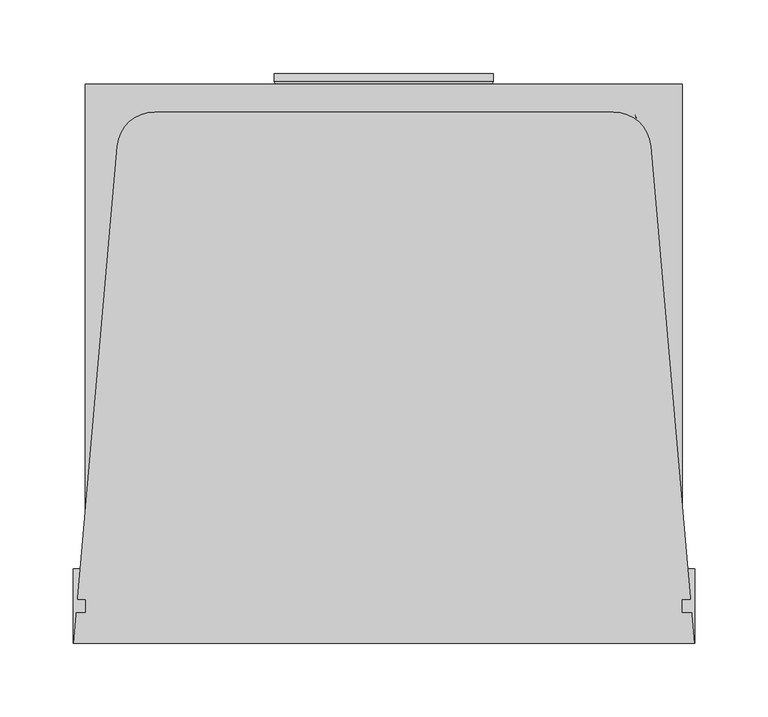
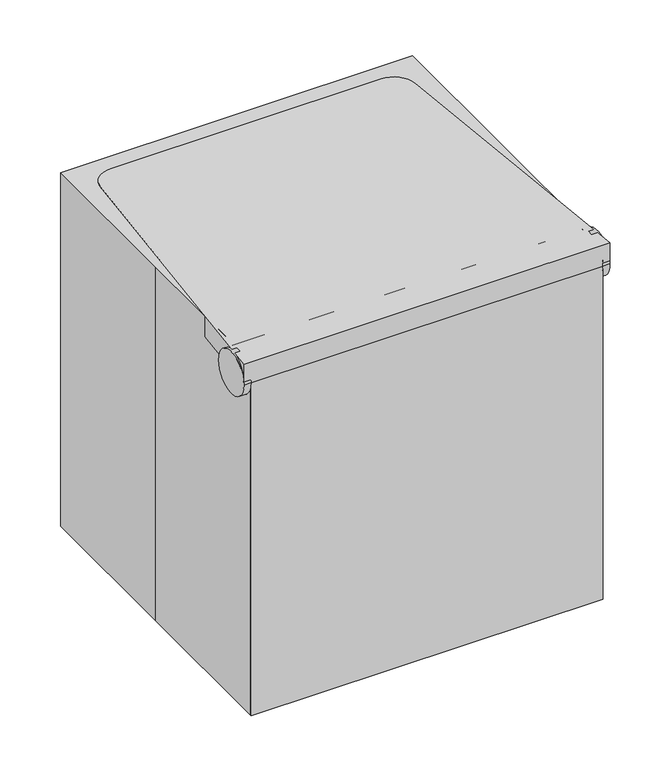
"""IFC4 building model written with IfcOpenShell, lengths in millimetres: proxy geometry."""

from ifc_helpers import new_model, si_unit, point, frame, frame_2d, origin, place, context, project, spatial, polyline, circle_curve, ellipse_curve, trimmed, segment, composite_curve, outline, extrude, source, transform, mapped, element, save
from ifc_brep_helpers import plane_surface, cylinder_surface, revolved_surface, spline_surface, advanced_brep


def specialty_equipment_6457ef96(model_context):
    return source(origin(), model_context, "Body", "SolidModel", [
        extrude(outline(composite_curve([segment(trimmed(circle_curve(frame_2d((-165.1, 406.4)), 25.4), [point((-190.5, 406.4))], [point((-139.7, 406.4))], False, "CARTESIAN"), True, "CONTINUOUS"), segment(trimmed(circle_curve(frame_2d((-165.1, 406.4)), 25.4), [point((-139.7, 406.4))], [point((-190.5, 406.4))], False, "CARTESIAN"), True, "CONTINUOUS")], self_intersect=False)), frame((203.2, 0.0, 0.0), z_axis=(1.0, 0.0, 0.0), x_axis=(0.0, 1.0, 0.0)), (0.0, 0.0, 1.0), 8.2243705),
        extrude(outline(composite_curve([segment(trimmed(circle_curve(frame_2d((-165.1, 406.4)), 25.4), [point((-139.7, 406.4))], [point((-190.5, 406.4))], False, "CARTESIAN"), True, "CONTINUOUS"), segment(trimmed(circle_curve(frame_2d((-165.1, 406.4)), 25.4), [point((-190.5, 406.4))], [point((-139.7, 406.4))], False, "CARTESIAN"), True, "CONTINUOUS")], self_intersect=False)), frame((-211.3962544, 0.0, 0.0), z_axis=(1.0, 0.0, 0.0), x_axis=(0.0, 1.0, 0.0)), (0.0, 0.0, 1.0), 8.1962544),
        advanced_brep(
        [(-181.4886497, 148.2637559, 431.8), (-211.1266379, -190.5, 431.8), (211.1266379, -190.5, 431.8), (181.4886497, 148.2637559, 431.8), (156.1853044, 171.45, 431.8), (-156.1853044, 171.45, 431.8), (-181.4886497, 148.2637559, 406.4), (-156.1853044, 171.45, 406.4), (156.1853044, 171.45, 406.4), (181.4886497, 148.2637559, 406.4), (211.1266379, -190.5, 406.4), (203.2, -190.5, 406.4), (203.2, -139.7, 406.4), (-203.2, -139.7, 406.4), (-203.2, -190.5, 406.4), (-211.1266379, -190.5, 406.4), (203.2, -165.1, 431.8), (-203.2, -165.1, 431.8)],
        [
            (0, 1),
            (1, 2),
            (2, 3),
            (3, 4, circle_curve(frame((156.1853044, 146.05, 431.8), z_axis=(0.0, 0.0, 1.0), x_axis=(1.0, 0.0, 0.0)), 25.4)),
            (4, 5),
            (5, 0, circle_curve(frame((-156.1853044, 146.05, 431.8), z_axis=(0.0, 0.0, 1.0), x_axis=(1.0, 0.0, 0.0)), 25.4)),
            (6, 7, circle_curve(frame((-156.1853044, 146.05, 406.4), z_axis=(0.0, 0.0, -1.0), x_axis=(1.0, 0.0, 0.0)), 25.4)),
            (7, 8),
            (8, 9, circle_curve(frame((156.1853044, 146.05, 406.4), z_axis=(0.0, 0.0, -1.0), x_axis=(1.0, 0.0, 0.0)), 25.4)),
            (9, 10),
            (10, 11),
            (11, 12),
            (12, 13),
            (13, 14),
            (14, 15),
            (15, 6),
            (5, 7),
            (6, 0),
            (4, 8),
            (3, 9),
            (2, 10),
            (1, 15),
            (14, 11),
            (11, 16, circle_curve(frame((203.2, -165.1, 406.4), z_axis=(-1.0, 0.0, 0.0), x_axis=(0.0, -1.0, 0.0)), 25.4)),
            (16, 12, circle_curve(frame((203.2, -165.1, 406.4), z_axis=(-1.0, 0.0, 0.0), x_axis=(0.0, -1.0, 0.0)), 25.4)),
            (13, 17, circle_curve(frame((-203.2, -165.1, 406.4), z_axis=(1.0, 0.0, 0.0), x_axis=(0.0, -1.0, 0.0)), 25.4)),
            (17, 14, circle_curve(frame((-203.2, -165.1, 406.4), z_axis=(1.0, 0.0, 0.0), x_axis=(0.0, -1.0, 0.0)), 25.4)),
        ],
        [
            plane_surface(frame((-130.7853044, 146.05, 431.8), z_axis=(0.0, 0.0, 1.0), x_axis=(0.0, -1.0, 0.0))),
            plane_surface(frame((-130.7853044, 146.05, 406.4), z_axis=(0.0, 0.0, -1.0), x_axis=(0.0, 1.0, 0.0))),
            cylinder_surface(frame((-156.1853044, 146.05, 406.4), z_axis=(0.0, 0.0, 1.0), x_axis=(1.0, 0.0, 0.0)), 25.4),
            plane_surface(frame((-156.1853044, 171.45, 431.8), z_axis=(0.0, 1.0, 0.0), x_axis=(0.0, 0.0, -1.0))),
            cylinder_surface(frame((156.1853044, 146.05, 406.4), z_axis=(0.0, 0.0, 1.0), x_axis=(1.0, 0.0, 0.0)), 25.4),
            plane_surface(frame((181.4886497, 148.2637559, 431.8), z_axis=(0.9961946980917455, 0.08715574274765969, 0.0), x_axis=(0.0, 0.0, -1.0))),
            plane_surface(frame((211.1266379, -190.5, 431.8), z_axis=(0.0, -1.0, 0.0), x_axis=(0.0, 0.0, -1.0))),
            plane_surface(frame((-211.1266379, -190.5, 431.8), z_axis=(-0.9961946980917458, 0.08715574274765654, 0.0), x_axis=(0.0, 0.0, -1.0))),
            plane_surface(frame((203.2, -190.5, 406.4), z_axis=(-1.0, 0.0, 0.0), x_axis=(0.0, 0.0, 1.0))),
            plane_surface(frame((-203.2, -190.5, 406.4), z_axis=(1.0, 0.0, 0.0), x_axis=(0.0, 0.0, -1.0))),
            revolved_surface(polyline([(203.2, -190.5, 406.4), (-203.2, -190.5, 406.4)]), (-203.2, -165.1, 406.4), (1.0, 0.0, 0.0)),
        ],
        [
            (0, [[1, 2, 3, 4, 5, 6]]),
            (1, [[7, 8, 9, 10, 11, 12, 13, 14, 15, 16]]),
            (2, [[17, -7, 18, -6]]),
            (3, [[19, -8, -17, -5]]),
            (4, [[20, -9, -19, -4]]),
            (5, [[21, -10, -20, -3]]),
            (6, [[22, -15, 23, -11, -21, -2]]),
            (7, [[-18, -16, -22, -1]]),
            (8, [[-12, 24, 25]]),
            (9, [[-14, 26, 27]]),
            (10, [[-24, -23, -27, -26, -13, -25]]),
        ],
    ),
        advanced_brep(
        [(-171.8953527, 167.3137559, 406.4), (-198.7555759, -139.7, 406.4), (198.7555759, -139.7, 406.4), (171.8953527, 167.3137559, 406.4), (203.2, -190.5, 0.0), (-203.2, -190.5, 0.0), (-171.8953527, 167.3137559, 0.0), (-146.5920074, 190.5, 0.0), (-69.85, 190.5, 0.0), (-57.15, 167.3137559, 0.0), (57.15, 167.3137559, 0.0), (69.85, 190.5, 0.0), (146.5920074, 190.5, 0.0), (171.8953527, 167.3137559, 0.0), (203.2, -190.5, 406.4), (-203.2, -190.5, 406.4), (66.9435562, 185.1937389, 93.0062024), (-66.9435562, 185.1937389, 93.0062024), (57.15, 167.3137559, 50.8), (-57.15, 167.3137559, 50.8)],
        [
            (0, 1),
            (1, 2),
            (2, 3),
            (3, 0),
            (4, 5),
            (5, 6),
            (6, 7, circle_curve(frame((-146.5920074, 165.1, 0.0), z_axis=(0.0, 0.0, -1.0), x_axis=(1.0, 0.0, 0.0)), 25.4)),
            (7, 8),
            (8, 9),
            (9, 10),
            (10, 11),
            (11, 12),
            (12, 13, circle_curve(frame((146.5920074, 165.1, 0.0), z_axis=(0.0, 0.0, -1.0), x_axis=(1.0, 0.0, 0.0)), 25.4)),
            (13, 4),
            (4, 14),
            (14, 15),
            (15, 5),
            (15, 1, ellipse_curve(frame((-200.9777879, -165.1, 406.4), z_axis=(0.9961946980917457, -0.08715574274765671, 0.0), x_axis=(0.08715574274765668, 0.9961946980917457, 0.0)), 25.4970239, 25.4)),
            (0, 6),
            (0, 7),
            (3, 12),
            (11, 16),
            (16, 17),
            (17, 8),
            (3, 13),
            (2, 14, ellipse_curve(frame((200.9777879, -165.1, 406.4), z_axis=(-0.9961946980917454, -0.08715574274765969, 0.0), x_axis=(0.0871557427476588, -0.9961946980917455, 0.0)), 25.4970239, 25.4)),
            (18, 10),
            (9, 19),
            (19, 18),
            (19, 17),
            (16, 18),
        ],
        [
            plane_surface(frame((0.0, -11.5931221, 406.4), z_axis=(0.0, 0.0, 1.0), x_axis=(0.08715574274765671, 0.9961946980917457, 0.0))),
            plane_surface(frame((0.0, 55.771252, 0.0), z_axis=(0.0, 0.0, -1.0), x_axis=(0.08715574274765671, 0.9961946980917457, 0.0))),
            plane_surface(frame((0.0, -190.5, 0.0), z_axis=(0.0, -1.0, 0.0), x_axis=(-1.0, 0.0, 0.0))),
            plane_surface(frame((-187.5476764, -11.5931221, 0.0), z_axis=(-0.9961946980917457, 0.08715574274765671, 0.0), x_axis=(0.08715574274765671, 0.9961946980917457, 0.0))),
            spline_surface(1, 2, [[(-171.8953527, 167.3137559, 0.0), (-169.86681913406716, 190.49999996929208, 0.0), (-146.5920074, 190.5, 0.0)], [(-171.8953527, 167.3137559, 406.4), (-171.8953527, 167.3137559, 406.4), (-171.8953527, 167.3137559, 406.4)]], [2, 2], [3, 3], [0.0, 1.0], [0.0, 1.0], weights=[[1.0, 0.7372773377124887, 1.0], [1.0, 0.7372773377124887, 1.0]]),
            plane_surface(frame((0.0, 190.5, 0.0), z_axis=(0.0, 0.9983764533733115, 0.05696013825236224), x_axis=(1.0, 0.0, 0.0))),
            spline_surface(1, 2, [[(146.5920074, 190.5, 0.0), (169.86681918616762, 190.5000000261497, 0.0), (171.8953527, 167.3137559, 0.0)], [(171.8953527, 167.3137559, 406.4), (171.8953527, 167.3137559, 406.4), (171.8953527, 167.3137559, 406.4)]], [2, 2], [3, 3], [0.0, 1.0], [0.0, 1.0], weights=[[1.0, 0.7372773368872948, 1.0], [1.0, 0.7372773368872948, 1.0]]),
            plane_surface(frame((187.5476764, -11.5931221, 0.0), z_axis=(0.9961946980917454, 0.08715574274765969, 0.0), x_axis=(0.08715574274765969, -0.9961946980917454, 0.0))),
            plane_surface(frame((0.0, 167.3137559, 25.4), z_axis=(0.0, 1.0, 0.0), x_axis=(-1.0, 0.0, 0.0))),
            plane_surface(frame((0.0, 190.5, 105.5317808), z_axis=(0.0, 0.920783074067558, -0.39007503189860543), x_axis=(1.0, 0.0, 0.0))),
            plane_surface(frame((-69.85, 190.5, 52.7658904), z_axis=(0.8770521055181142, 0.48039525830949104, 0.0), x_axis=(0.0, 0.0, 1.0))),
            plane_surface(frame((69.85, 190.5, 52.7658904), z_axis=(-0.8770521055181134, 0.48039525830949253, 0.0), x_axis=(0.0, 0.0, -1.0))),
            revolved_surface(polyline([(203.2, -190.5, 406.4), (-203.2, -190.5, 406.4)]), (-203.2, -165.1, 406.4), (1.0, 0.0, 0.0)),
        ],
        [
            (0, [[1, 2, 3, 4]]),
            (1, [[5, 6, 7, 8, 9, 10, 11, 12, 13, 14]]),
            (2, [[15, 16, 17, -5]]),
            (3, [[-17, 18, -1, 19, -6]]),
            (4, [[-19, 20, -7]]),
            (5, [[21, -12, 22, 23, 24, -8, -20, -4]]),
            (6, [[-21, 25, -13]]),
            (7, [[-25, -3, 26, -15, -14]]),
            (8, [[27, -10, 28, 29]]),
            (9, [[30, -23, 31, -29]]),
            (10, [[-9, -24, -30, -28]]),
            (11, [[-31, -22, -11, -27]]),
            (12, [[-18, -16, -26, -2]]),
        ],
    ),
        extrude(outline(polyline([(4.6906993, 0.0), (-144.3906993, 0.0), (-127.0, 31.75), (-12.7, 31.75), (4.6906993, 0.0)])), frame((-69.85, 197.7247404, 9.1232954), z_axis=(0.0, -0.2873478855663447, 0.9578262852211517), x_axis=(-1.0, 0.0, 0.0)), (0.0, 0.0, 1.0), 19.05),
        advanced_brep(
        [(-203.2, 0.0, 431.8), (-203.2, -165.1, 431.8), (-203.2, -190.5, 431.8), (203.2, -190.5, 431.8), (203.2, -165.1, 431.8), (203.2, 190.5, 431.8), (-203.2, 190.5, 431.8), (-203.2, -190.5, 0.0), (-203.2, 0.0, 0.0), (-203.2, 190.5, 0.0), (-69.85, 190.5, 0.0), (-57.15, 167.3137559, 0.0), (57.15, 167.3137559, 0.0), (69.85, 190.5, 0.0), (203.2, 190.5, 0.0), (203.2, -190.5, 0.0), (-203.2, -190.5, 406.4), (-203.2, -139.7, 406.4), (69.85, 190.5, 105.5317808), (-69.85, 190.5, 105.5317808), (203.2, -139.7, 406.4), (203.2, -190.5, 406.4), (57.15, 167.3137559, 50.8), (-57.15, 167.3137559, 50.8)],
        [
            (0, 1),
            (1, 2),
            (2, 3),
            (3, 4),
            (4, 5),
            (5, 6),
            (6, 0),
            (7, 8),
            (8, 9),
            (9, 10),
            (10, 11),
            (11, 12),
            (12, 13),
            (13, 14),
            (14, 15),
            (15, 7),
            (7, 16),
            (16, 17, circle_curve(frame((-203.2, -165.1, 406.4), z_axis=(1.0, 0.0, 0.0), x_axis=(0.0, -1.0, 0.0)), 25.4)),
            (17, 1, circle_curve(frame((-203.2, -165.1, 406.4), z_axis=(1.0, 0.0, 0.0), x_axis=(0.0, -1.0, 0.0)), 25.4)),
            (0, 8),
            (1, 16, circle_curve(frame((-203.2, -165.1, 406.4), z_axis=(1.0, 0.0, 0.0), x_axis=(0.0, -1.0, 0.0)), 25.4)),
            (16, 2),
            (6, 9),
            (5, 14),
            (13, 18),
            (18, 19),
            (19, 10),
            (4, 20, circle_curve(frame((203.2, -165.1, 406.4), z_axis=(-1.0, 0.0, 0.0), x_axis=(0.0, -1.0, 0.0)), 25.4)),
            (20, 21, circle_curve(frame((203.2, -165.1, 406.4), z_axis=(-1.0, 0.0, 0.0), x_axis=(0.0, -1.0, 0.0)), 25.4)),
            (21, 15),
            (3, 21),
            (21, 4, circle_curve(frame((203.2, -165.1, 406.4), z_axis=(-1.0, 0.0, 0.0), x_axis=(0.0, -1.0, 0.0)), 25.4)),
            (22, 12),
            (11, 23),
            (23, 22),
            (23, 19),
            (18, 22),
            (20, 17),
            (16, 21),
        ],
        [
            plane_surface(frame((-203.2, 0.0, 431.8), z_axis=(0.0, 0.0, 1.0), x_axis=(0.0, 1.0, 0.0))),
            plane_surface(frame((-203.2, 0.0, 0.0), z_axis=(0.0, 0.0, -1.0), x_axis=(0.0, -1.0, 0.0))),
            plane_surface(frame((-203.2, -190.5, 431.8), z_axis=(-1.0, 0.0, 0.0), x_axis=(0.0, 0.0, -1.0))),
            plane_surface(frame((-203.2, 0.0, 431.8), z_axis=(-1.0, 0.0, 0.0), x_axis=(0.0, 0.0, -1.0))),
            plane_surface(frame((-203.2, 190.5, 431.8), z_axis=(0.0, 1.0, 0.0), x_axis=(0.0, 0.0, -1.0))),
            plane_surface(frame((203.2, 190.5, 431.8), z_axis=(1.0, 0.0, 0.0), x_axis=(0.0, 0.0, -1.0))),
            plane_surface(frame((203.2, -190.5, 431.8), z_axis=(0.0, -1.0, 0.0), x_axis=(0.0, 0.0, -1.0))),
            plane_surface(frame((0.0, 167.3137559, 25.4), z_axis=(0.0, 1.0, 0.0), x_axis=(-1.0, 0.0, 0.0))),
            plane_surface(frame((0.0, 190.5, 105.5317808), z_axis=(0.0, 0.920783074067558, -0.39007503189860543), x_axis=(1.0, 0.0, 0.0))),
            plane_surface(frame((-69.85, 190.5, 52.7658904), z_axis=(0.8770521055181142, 0.48039525830949104, 0.0), x_axis=(0.0, 0.0, 1.0))),
            plane_surface(frame((69.85, 190.5, 52.7658904), z_axis=(-0.8770521055181134, 0.48039525830949253, 0.0), x_axis=(0.0, 0.0, -1.0))),
            revolved_surface(polyline([(203.2, -190.5, 406.4), (-203.2, -190.5, 406.4)]), (-203.2, -165.1, 406.4), (1.0, 0.0, 0.0)),
        ],
        [
            (0, [[1, 2, 3, 4, 5, 6, 7]]),
            (1, [[8, 9, 10, 11, 12, 13, 14, 15, 16]]),
            (2, [[17, 18, 19, -1, 20, -8]]),
            (2, [[21, 22, -2]]),
            (3, [[23, -9, -20, -7]]),
            (4, [[24, -14, 25, 26, 27, -10, -23, -6]]),
            (5, [[-24, -5, 28, 29, 30, -15]]),
            (5, [[31, 32, -4]]),
            (6, [[-22, -17, -16, -30, -31, -3]]),
            (7, [[33, -12, 34, 35]]),
            (8, [[36, -26, 37, -35]]),
            (9, [[-11, -27, -36, -34]]),
            (10, [[-37, -25, -13, -33]]),
            (11, [[-29, 38, -18, 39]]),
            (11, [[-21, -19, -38, -28, -32, -39]]),
        ],
    ),
    ])


if __name__ == "__main__":
    model = new_model("IFC4")
    model_context = context("Model", 3, world=origin())
    ifc_project = project(units=[si_unit("LENGTHUNIT", "METRE", prefix="MILLI")], contexts=[model_context])
    site = spatial("IfcSite", under=ifc_project)
    building = spatial("IfcBuilding", under=site)
    placement = place(None, origin())
    specialty_equipment_shape = specialty_equipment_6457ef96(model_context)
    element("IfcBuildingElementProxy", 1, Name="Specialty Equipment", at=placement, inside=building, context=model_context, shape_type="MappedRepresentation", body=[
        mapped(specialty_equipment_shape, transform((0.0, 0.0, 0.0), x_axis=(1.0, 0.0, 0.0), y_axis=(0.0, 1.0, 0.0), z_axis=(0.0, 0.0, 1.0))),
    ])
    save(model, "model.ifc")
